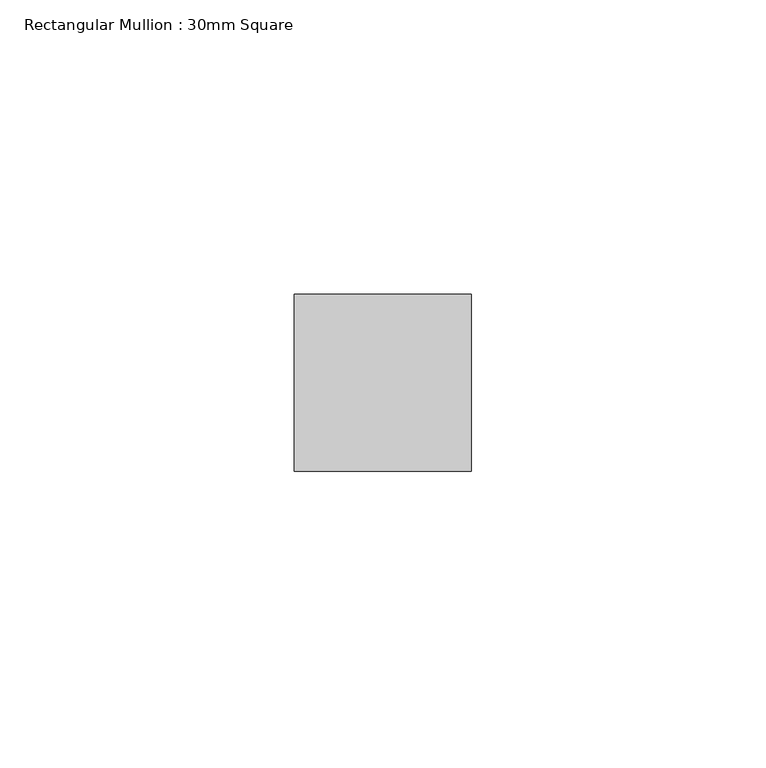
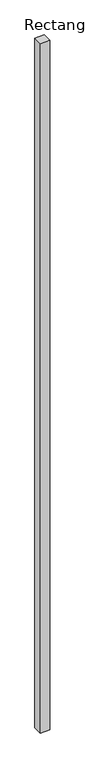
"""IFC4 building model written with IfcOpenShell, lengths in millimetres: member geometry, Rectangular Mullion : 30mm Square."""

from ifc_helpers import new_model, si_unit, frame, origin, place, context, project, spatial, polyline, outline, extrude, source, transform, mapped, element, save


def rectangular_mullion_30mm_square_050b8304(model_context):
    return source(origin(), model_context, "Body", "SweptSolid", [
        extrude(outline(polyline([(15.0, 15.0), (15.0, -15.0), (-15.0, -15.0), (-15.0, 15.0), (15.0, 15.0)])), frame((0.0, 0.0, -2300.0), z_axis=(0.0, 0.0, 1.0), x_axis=(1.0, 0.0, 0.0)), (0.0, 0.0, 1.0), 2300.0),
    ])


if __name__ == "__main__":
    model = new_model("IFC4")
    model_context = context("Model", 3, world=origin())
    ifc_project = project(units=[si_unit("LENGTHUNIT", "METRE", prefix="MILLI")], contexts=[model_context])
    site = spatial("IfcSite", under=ifc_project)
    building = spatial("IfcBuilding", under=site)
    placement = place(None, origin())
    rectangular_mullion_30mm_square_shape = rectangular_mullion_30mm_square_050b8304(model_context)
    element("IfcMember", 1, ObjectType="Rectangular Mullion : 30mm Square", at=placement, inside=building, context=model_context, shape_type="MappedRepresentation", body=[
        mapped(rectangular_mullion_30mm_square_shape, transform((0.0, 0.0, 0.0), x_axis=(1.0, 0.0, 0.0), y_axis=(0.0, 1.0, 0.0), z_axis=(0.0, 0.0, 1.0))),
    ])
    save(model, "model.ifc")
